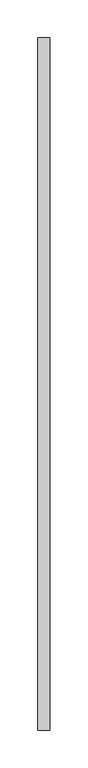
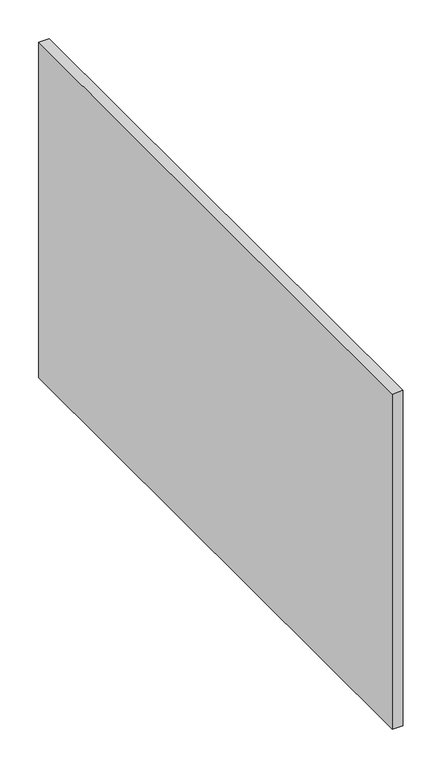
"""IFC4 building model written with IfcOpenShell, lengths in millimetres: proxy geometry."""

from ifc_helpers import new_model, si_unit, frame, origin, place, context, project, spatial, polyline, outline, extrude, source, transform, mapped, element, save


def generic_models_aac07bdb(model_context):
    return source(origin(), model_context, "Body", "SweptSolid", [
        extrude(outline(polyline([(37964.0460168, -23977.1529893), (37964.0460168, -24891.5529893), (37948.1710168, -24891.5529893), (37948.1710168, -23977.1529893), (37964.0460168, -23977.1529893)])), frame((0.0, 0.0, 5070.9541016), z_axis=(0.0, 0.0, 1.0), x_axis=(1.0, 0.0, 0.0)), (0.0, 0.0, 1.0), 528.4890483),
    ])


if __name__ == "__main__":
    model = new_model("IFC4")
    model_context = context("Model", 3, world=origin())
    ifc_project = project(units=[si_unit("LENGTHUNIT", "METRE", prefix="MILLI")], contexts=[model_context])
    site = spatial("IfcSite", under=ifc_project)
    building = spatial("IfcBuilding", under=site)
    placement = place(None, origin())
    generic_models_shape = generic_models_aac07bdb(model_context)
    element("IfcBuildingElementProxy", 1, Name="Generic Models", at=placement, inside=building, context=model_context, shape_type="MappedRepresentation", body=[
        mapped(generic_models_shape, transform((0.0, 0.0, 0.0), x_axis=(1.0, 0.0, 0.0), y_axis=(0.0, 1.0, 0.0), z_axis=(0.0, 0.0, 1.0))),
    ])
    save(model, "model.ifc")
